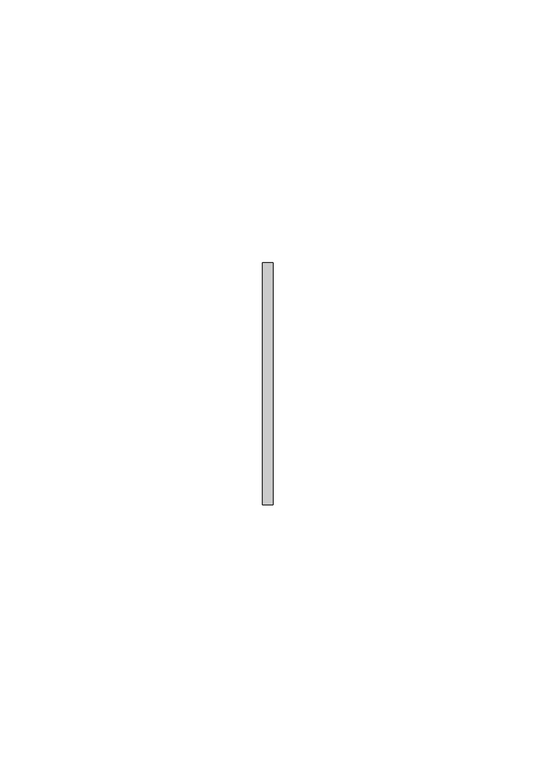
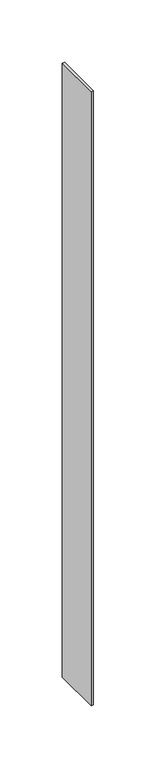
"""IFC4 building model written with IfcOpenShell, lengths in millimetres: member geometry."""

from ifc_helpers import new_model, si_unit, frame, origin, place, context, project, spatial, polyline, outline, extrude, source, transform, mapped, element, save


def member_765eb316(model_context):
    return source(origin(), model_context, "Body", "SweptSolid", [
        extrude(outline(polyline([(1.0, 23.0), (1.0, -23.0), (-1.0, -23.0), (-1.0, 23.0), (1.0, 23.0)])), frame((0.0, 0.0, -601.0), z_axis=(0.0, 0.0, 1.0), x_axis=(1.0, 0.0, 0.0)), (0.0, 0.0, 1.0), 601.0),
    ])


if __name__ == "__main__":
    model = new_model("IFC4")
    model_context = context("Model", 3, world=origin())
    ifc_project = project(units=[si_unit("LENGTHUNIT", "METRE", prefix="MILLI")], contexts=[model_context])
    site = spatial("IfcSite", under=ifc_project)
    building = spatial("IfcBuilding", under=site)
    placement = place(None, origin())
    member_shape = member_765eb316(model_context)
    element("IfcMember", 1, at=placement, inside=building, context=model_context, shape_type="MappedRepresentation", body=[
        mapped(member_shape, transform((0.0, 0.0, 0.0), x_axis=(1.0, 0.0, 0.0), y_axis=(0.0, 1.0, 0.0), z_axis=(0.0, 0.0, 1.0))),
    ])
    save(model, "model.ifc")
